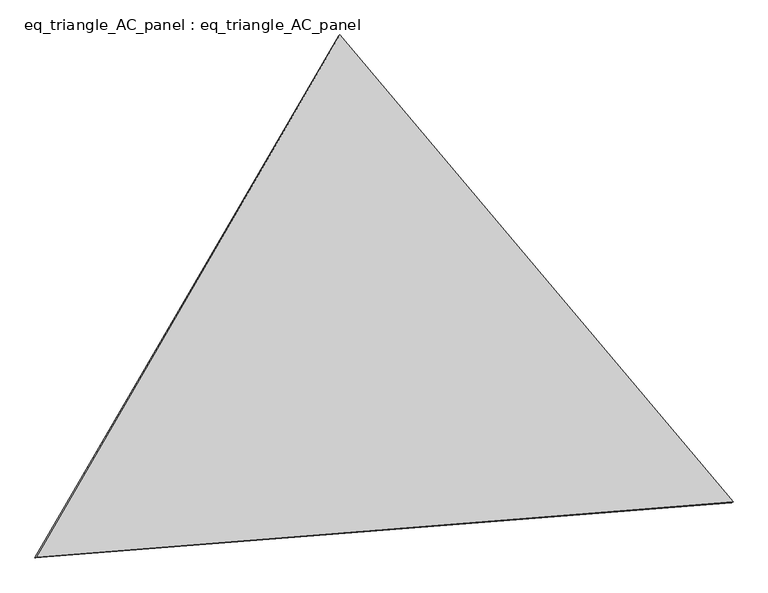
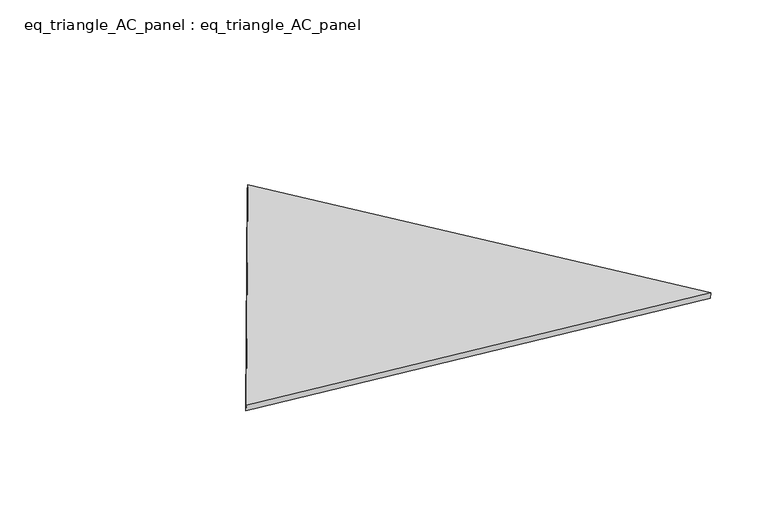
"""IFC4 building model written with IfcOpenShell, lengths in millimetres: proxy geometry, eq_triangle_AC_panel : eq_triangle_AC_panel."""

from ifc_helpers import new_model, si_unit, frame, origin, place, context, project, spatial, polyline, outline, extrude, source, transform, mapped, element, save


def eq_triangle_ac_panel_eq_triangle_ac_panel_a1ebcf2b(model_context):
    return source(origin(), model_context, "Body", "SweptSolid", [
        extrude(outline(polyline([(-1545.5417544, 1096.950005), (1940.6131338, 1096.950005), (-395.0713796, -2193.90001), (-1545.5417544, 1096.950005)])), frame((0.0038051, 527.9290861, 89.8240019), z_axis=(0.14526328518058185, 0.0838657028180215, 0.9858321976225896), x_axis=(0.643395668476884, -0.7649563245265478, -0.029729368510257766)), (0.0, 0.0, 1.0), 43.8306294),
    ])


if __name__ == "__main__":
    model = new_model("IFC4")
    model_context = context("Model", 3, world=origin())
    ifc_project = project(units=[si_unit("LENGTHUNIT", "METRE", prefix="MILLI")], contexts=[model_context])
    site = spatial("IfcSite", under=ifc_project)
    building = spatial("IfcBuilding", under=site)
    placement = place(None, origin())
    eq_triangle_ac_panel_eq_triangle_ac_panel_shape = eq_triangle_ac_panel_eq_triangle_ac_panel_a1ebcf2b(model_context)
    element("IfcBuildingElementProxy", 1, Name="eq_triangle_AC_panel : eq_triangle_AC_panel", ObjectType="eq_triangle_AC_panel : eq_triangle_AC_panel", at=placement, inside=building, context=model_context, shape_type="MappedRepresentation", body=[
        mapped(eq_triangle_ac_panel_eq_triangle_ac_panel_shape, transform((0.0, 0.0, 0.0), x_axis=(1.0, 0.0, 0.0), y_axis=(0.0, 1.0, 0.0), z_axis=(0.0, 0.0, 1.0))),
    ])
    save(model, "model.ifc")
